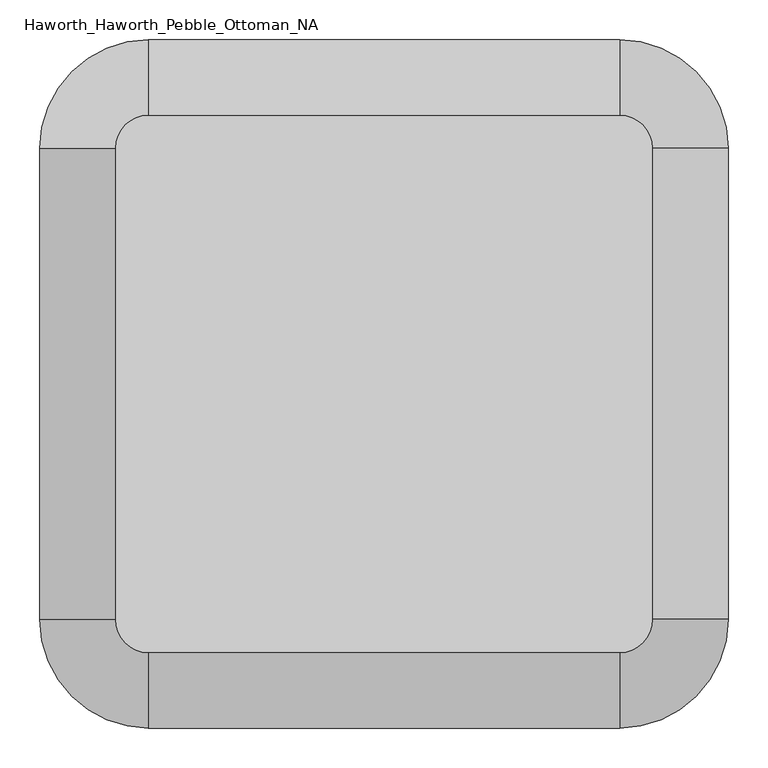
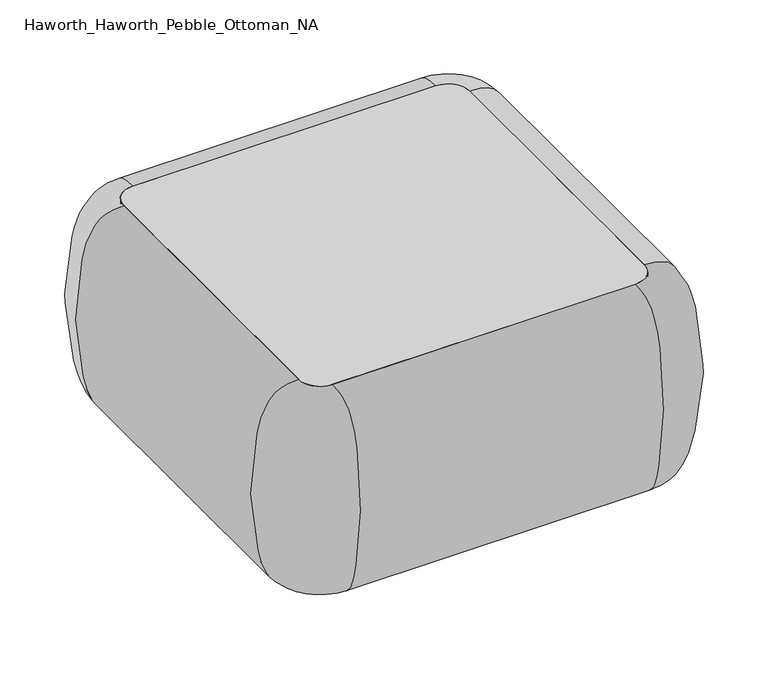
"""IFC4 building model written with IfcOpenShell, lengths in millimetres: furniture geometry, Haworth_Haworth_Pebble_Ottoman_NA."""

from ifc_helpers import new_model, si_unit, point, frame, frame_2d, origin, origin_with_axes, place, context, project, spatial, polyline, circle_curve, trimmed, segment, composite_curve, outline, extrude, source, transform, mapped, element, save
from ifc_brep_helpers import plane_surface, revolved_surface, extruded_surface, spline_curve, advanced_brep


def haworth_haworth_pebble_ottoman_na_33c4a9e7(model_context):
    return source(origin(), model_context, "Body", "SolidModel", [
        advanced_brep(
        [(-278.0855515, -102.1266005, 431.4267645), (-236.4136765, -60.4547255, 431.4267645), (-236.4136765, -60.4547255, 15.9000004), (-278.0855515, -102.1266005, 15.9000004), (-278.0855515, -693.1152987, 15.9000004), (-278.0855515, -693.1152987, 431.4267645), (354.7161859, -60.4547255, 431.4267645), (354.7161859, -60.4547255, 15.9000004), (-236.4136765, -734.7871737, 431.4267645), (-236.4136765, -734.7871737, 15.9000004), (354.7161859, -734.7871737, 15.9000004), (354.7161859, -734.7871737, 431.4267645), (396.3880609, -693.1152987, 431.4267645), (396.3880609, -693.1152987, 15.9000004), (396.3880609, -102.1266005, 15.9000004), (396.3880609, -102.1266005, 431.4267645)],
        [
            (0, 1, circle_curve(frame((-236.4136765, -102.1266005, 431.4267645), z_axis=(0.0, 0.0, -1.0), x_axis=(0.0, 1.0, 0.0)), 41.671875)),
            (1, 2, spline_curve(3, [(-236.4136765, -60.4547255, 431.4267645), (-236.4136765, -20.499156081, 431.4267645), (-236.4136765, -9.422817746, 418.111325992), (-236.4136765, 12.141986687, 387.074624676), (-236.4136765, 16.778281603, 372.805576067), (-236.4136765, 27.813707351, 318.739710756), (-236.4136765, 34.317735124, 272.461148795), (-236.4136765, 33.975120077, 183.217431721), (-236.4136765, 26.56487399, 140.468636482), (-236.4136765, 14.838127972, 86.422119583), (-236.4136765, 10.2884604, 69.442528942), (-236.4136765, -4.541050123, 40.550023909), (-236.4136765, -12.54840989, 28.736458982), (-236.4136765, -60.4547255, 15.9000004)], [4, 2, 2, 2, 2, 2, 4], [0.0, 0.14234338208612818, 0.3844442925433662, 0.7007195720884005, 1.0300826792167348, 1.2544468815012602, 1.4077182079104207])),
            (2, 3, circle_curve(frame((-236.4136765, -102.1266005, 15.9000004), z_axis=(0.0, 0.0, 1.0), x_axis=(0.0, 1.0, 0.0)), 41.671875)),
            (3, 0, spline_curve(3, [(-278.0855515, -102.1266005, 15.9000004), (-325.99186711, -102.1266005, 28.736458982), (-333.999226877, -102.1266005, 40.550023909), (-348.8287374, -102.1266005, 69.442528942), (-353.378404972, -102.1266005, 86.422119583), (-365.10515099, -102.1266005, 140.468636482), (-372.515397077, -102.1266005, 183.217431721), (-372.858012124, -102.1266005, 272.461148795), (-366.353984351, -102.1266005, 318.739710756), (-355.318558603, -102.1266005, 372.805576067), (-350.682263687, -102.1266005, 387.074624676), (-329.117459254, -102.1266005, 418.111325992), (-318.041120919, -102.1266005, 431.4267645), (-278.0855515, -102.1266005, 431.4267645)], [4, 2, 2, 2, 2, 2, 4], [0.0, 0.15327132640916052, 0.3776355286936859, 0.7069986358220202, 1.0232739153670545, 1.2653748258242925, 1.4077182079104207])),
            (2, 1),
            (0, 3),
            (3, 4),
            (4, 5, spline_curve(3, [(-278.0855515, -693.1152987, 15.9000004), (-325.99186711, -693.1152987, 28.736458982), (-333.999226877, -693.1152987, 40.550023909), (-348.8287374, -693.1152987, 69.442528942), (-353.378404972, -693.1152987, 86.422119583), (-365.10515099, -693.1152987, 140.468636482), (-372.515397077, -693.1152987, 183.217431721), (-372.858012124, -693.1152987, 272.461148795), (-366.353984351, -693.1152987, 318.739710756), (-355.318558603, -693.1152987, 372.805576067), (-350.682263687, -693.1152987, 387.074624676), (-329.117459254, -693.1152987, 418.111325992), (-318.041120919, -693.1152987, 431.4267645), (-278.0855515, -693.1152987, 431.4267645)], [4, 2, 2, 2, 2, 2, 4], [0.0, 0.15327132640916052, 0.3776355286936859, 0.7069986358220202, 1.0232739153670545, 1.2653748258242925, 1.4077182079104207])),
            (5, 0),
            (5, 4),
            (6, 7, spline_curve(3, [(354.7161859, -60.4547255, 431.4267645), (354.7161859, -20.499156081, 431.4267645), (354.7161859, -9.422817746, 418.111325992), (354.7161859, 12.141986687, 387.074624676), (354.7161859, 16.778281603, 372.805576067), (354.7161859, 27.813707351, 318.739710756), (354.7161859, 34.317735124, 272.461148795), (354.7161859, 33.975120077, 183.217431721), (354.7161859, 26.56487399, 140.468636482), (354.7161859, 14.838127972, 86.422119583), (354.7161859, 10.2884604, 69.442528942), (354.7161859, -4.541050123, 40.550023909), (354.7161859, -12.54840989, 28.736458982), (354.7161859, -60.4547255, 15.9000004)], [4, 2, 2, 2, 2, 2, 4], [0.0, 0.14234338208612818, 0.3844442925433662, 0.7007195720884005, 1.0300826792167348, 1.2544468815012602, 1.4077182079104207])),
            (7, 2),
            (1, 6),
            (7, 6),
            (8, 5, circle_curve(frame((-236.4136765, -693.1152987, 431.4267645), z_axis=(0.0, 0.0, -1.0), x_axis=(-1.0, 0.0, 0.0)), 41.671875)),
            (4, 9, circle_curve(frame((-236.4136765, -693.1152987, 15.9000004), z_axis=(0.0, 0.0, 1.0), x_axis=(-1.0, 0.0, 0.0)), 41.671875)),
            (9, 8, spline_curve(3, [(-236.4136765, -734.7871737, 15.9000004), (-236.4136765, -782.69348931, 28.736458982), (-236.4136765, -790.700849077, 40.550023909), (-236.4136765, -805.5303596, 69.442528942), (-236.4136765, -810.080027172, 86.422119583), (-236.4136765, -821.80677319, 140.468636482), (-236.4136765, -829.217019277, 183.217431721), (-236.4136765, -829.559634324, 272.461148795), (-236.4136765, -823.055606651, 318.739710756), (-236.4136765, -812.020180903, 372.805576067), (-236.4136765, -807.383885887, 387.074624676), (-236.4136765, -785.819081454, 418.111325992), (-236.4136765, -774.742743119, 431.4267645), (-236.4136765, -734.7871737, 431.4267645)], [4, 2, 2, 2, 2, 2, 4], [0.0, 0.15327132640916052, 0.3776355286936859, 0.7069986358220202, 1.0232739153670545, 1.2653748258242925, 1.4077182079104207])),
            (8, 9),
            (9, 10),
            (10, 11, spline_curve(3, [(354.7161859, -734.7871737, 15.9000004), (354.7161859, -782.69348931, 28.736458982), (354.7161859, -790.700849077, 40.550023909), (354.7161859, -805.5303596, 69.442528942), (354.7161859, -810.080027172, 86.422119583), (354.7161859, -821.80677319, 140.468636482), (354.7161859, -829.217019277, 183.217431721), (354.7161859, -829.559634324, 272.461148795), (354.7161859, -823.055606651, 318.739710756), (354.7161859, -812.020180903, 372.805576067), (354.7161859, -807.383885887, 387.074624676), (354.7161859, -785.819081454, 418.111325992), (354.7161859, -774.742743119, 431.4267645), (354.7161859, -734.7871737, 431.4267645)], [4, 2, 2, 2, 2, 2, 4], [0.0, 0.15327132640916052, 0.3776355286936859, 0.7069986358220202, 1.0232739153670545, 1.2653748258242925, 1.4077182079104207])),
            (11, 8),
            (11, 10),
            (12, 11, circle_curve(frame((354.7161859, -693.1152987, 431.4267645), z_axis=(0.0, 0.0, -1.0), x_axis=(0.0, -1.0, 0.0)), 41.671875)),
            (10, 13, circle_curve(frame((354.7161859, -693.1152987, 15.9000004), z_axis=(0.0, 0.0, 1.0), x_axis=(0.0, -1.0, 0.0)), 41.671875)),
            (13, 12, spline_curve(3, [(396.3880609, -693.1152987, 15.9000004), (444.29437651, -693.1152987, 28.736458982), (452.301736277, -693.1152987, 40.550023909), (467.1312468, -693.1152987, 69.442528942), (471.680914372, -693.1152987, 86.422119583), (483.40766039, -693.1152987, 140.468636482), (490.817906477, -693.1152987, 183.217431721), (491.160521524, -693.1152987, 272.461148795), (484.656493751, -693.1152987, 318.739710756), (473.621068003, -693.1152987, 372.805576067), (468.984773087, -693.1152987, 387.074624676), (447.419968654, -693.1152987, 418.111325992), (436.343630319, -693.1152987, 431.4267645), (396.3880609, -693.1152987, 431.4267645)], [4, 2, 2, 2, 2, 2, 4], [0.0, 0.15327132640916052, 0.3776355286936859, 0.7069986358220202, 1.0232739153670545, 1.2653748258242925, 1.4077182079104207])),
            (12, 13),
            (13, 14),
            (14, 15, spline_curve(3, [(396.3880609, -102.1266005, 15.9000004), (444.29437651, -102.1266005, 28.736458982), (452.301736277, -102.1266005, 40.550023909), (467.1312468, -102.1266005, 69.442528942), (471.680914372, -102.1266005, 86.422119583), (483.40766039, -102.1266005, 140.468636482), (490.817906477, -102.1266005, 183.217431721), (491.160521524, -102.1266005, 272.461148795), (484.656493751, -102.1266005, 318.739710756), (473.621068003, -102.1266005, 372.805576067), (468.984773087, -102.1266005, 387.074624676), (447.419968654, -102.1266005, 418.111325992), (436.343630319, -102.1266005, 431.4267645), (396.3880609, -102.1266005, 431.4267645)], [4, 2, 2, 2, 2, 2, 4], [0.0, 0.15327132640916052, 0.3776355286936859, 0.7069986358220202, 1.0232739153670545, 1.2653748258242925, 1.4077182079104207])),
            (15, 12),
            (15, 14),
            (6, 15, circle_curve(frame((354.7161859, -102.1266005, 431.4267645), z_axis=(0.0, 0.0, -1.0), x_axis=(1.0, 0.0, 0.0)), 41.671875)),
            (14, 7, circle_curve(frame((354.7161859, -102.1266005, 15.9000004), z_axis=(0.0, 0.0, 1.0), x_axis=(1.0, 0.0, 0.0)), 41.671875)),
        ],
        [
            revolved_surface(spline_curve(3, [(-236.4136765, -60.4547255, 15.9000004), (-236.4136765, -12.54840989, 28.736458982), (-236.4136765, -4.541050123, 40.550023909), (-236.4136765, 10.2884604, 69.442528942), (-236.4136765, 14.838127972, 86.422119583), (-236.4136765, 26.56487399, 140.468636482), (-236.4136765, 33.975120077, 183.217431721), (-236.4136765, 34.317735124, 272.461148795), (-236.4136765, 27.813707351, 318.739710756), (-236.4136765, 16.778281603, 372.805576067), (-236.4136765, 12.141986687, 387.074624676), (-236.4136765, -9.422817746, 418.111325992), (-236.4136765, -20.499156081, 431.4267645), (-236.4136765, -60.4547255, 431.4267645)], [4, 2, 2, 2, 2, 2, 4], [0.0, 0.15327132640916052, 0.3776355286936859, 0.7069986358220202, 1.0232739153670545, 1.2653748258242925, 1.4077182079104207]), (-236.4136765, -102.1266005, 584.2), (0.0, 0.0, 1.0)),
            revolved_surface(polyline([(-236.4136765, -60.454725499999995, 431.4267645), (-236.4136765, -60.454725499999995, 15.900000399999954)]), (-236.4136765, -102.1266005, 584.2), (0.0, 0.0, 1.0)),
            extruded_surface(spline_curve(3, [(-278.0855515, -693.1152987, 15.9000004), (-325.99186711, -693.1152987, 28.736458982), (-333.999226877, -693.1152987, 40.550023909), (-348.8287374, -693.1152987, 69.442528942), (-353.378404972, -693.1152987, 86.422119583), (-365.10515099, -693.1152987, 140.468636482), (-372.515397077, -693.1152987, 183.217431721), (-372.858012124, -693.1152987, 272.461148795), (-366.353984351, -693.1152987, 318.739710756), (-355.318558603, -693.1152987, 372.805576067), (-350.682263687, -693.1152987, 387.074624676), (-329.117459254, -693.1152987, 418.111325992), (-318.041120919, -693.1152987, 431.4267645), (-278.0855515, -693.1152987, 431.4267645)], [4, 2, 2, 2, 2, 2, 4], [0.0, 0.15327132640916052, 0.3776355286936859, 0.7069986358220202, 1.0232739153670545, 1.2653748258242925, 1.4077182079104207]), (0.0, 590.9886982, 0.0), 590.9886982),
            plane_surface(frame((-278.0855515, -102.1266005, 431.4267645), z_axis=(1.0, 0.0, 0.0), x_axis=(0.0, -1.0, 0.0))),
            extruded_surface(spline_curve(3, [(-236.4136765, -60.4547255, 15.9000004), (-236.4136765, -12.54840989, 28.736458982), (-236.4136765, -4.541050123, 40.550023909), (-236.4136765, 10.2884604, 69.442528942), (-236.4136765, 14.838127972, 86.422119583), (-236.4136765, 26.56487399, 140.468636482), (-236.4136765, 33.975120077, 183.217431721), (-236.4136765, 34.317735124, 272.461148795), (-236.4136765, 27.813707351, 318.739710756), (-236.4136765, 16.778281603, 372.805576067), (-236.4136765, 12.141986687, 387.074624676), (-236.4136765, -9.422817746, 418.111325992), (-236.4136765, -20.499156081, 431.4267645), (-236.4136765, -60.4547255, 431.4267645)], [4, 2, 2, 2, 2, 2, 4], [0.0, 0.15327132640916052, 0.3776355286936859, 0.7069986358220202, 1.0232739153670545, 1.2653748258242925, 1.4077182079104207]), (591.1298624000001, 0.0, 0.0), 591.1298624000001),
            plane_surface(frame((354.7161859, -60.4547255, 431.4267645), z_axis=(0.0, -1.0, 0.0), x_axis=(-1.0, 0.0, 0.0))),
            revolved_surface(spline_curve(3, [(-278.0855515, -693.1152987, 15.9000004), (-325.99186711, -693.1152987, 28.736458982), (-333.999226877, -693.1152987, 40.550023909), (-348.8287374, -693.1152987, 69.442528942), (-353.378404972, -693.1152987, 86.422119583), (-365.10515099, -693.1152987, 140.468636482), (-372.515397077, -693.1152987, 183.217431721), (-372.858012124, -693.1152987, 272.461148795), (-366.353984351, -693.1152987, 318.739710756), (-355.318558603, -693.1152987, 372.805576067), (-350.682263687, -693.1152987, 387.074624676), (-329.117459254, -693.1152987, 418.111325992), (-318.041120919, -693.1152987, 431.4267645), (-278.0855515, -693.1152987, 431.4267645)], [4, 2, 2, 2, 2, 2, 4], [0.0, 0.15327132640916052, 0.3776355286936859, 0.7069986358220202, 1.0232739153670545, 1.2653748258242925, 1.4077182079104207]), (-236.4136765, -693.1152987, 584.2), (0.0, 0.0, 1.0)),
            revolved_surface(polyline([(-278.0855515, -693.1152987, 431.4267645), (-278.0855515, -693.1152987, 15.900000399999954)]), (-236.4136765, -693.1152987, 584.2), (0.0, 0.0, 1.0)),
            extruded_surface(spline_curve(3, [(354.7161859, -734.7871737, 15.9000004), (354.7161859, -782.69348931, 28.736458982), (354.7161859, -790.700849077, 40.550023909), (354.7161859, -805.5303596, 69.442528942), (354.7161859, -810.080027172, 86.422119583), (354.7161859, -821.80677319, 140.468636482), (354.7161859, -829.217019277, 183.217431721), (354.7161859, -829.559634324, 272.461148795), (354.7161859, -823.055606651, 318.739710756), (354.7161859, -812.020180903, 372.805576067), (354.7161859, -807.383885887, 387.074624676), (354.7161859, -785.819081454, 418.111325992), (354.7161859, -774.742743119, 431.4267645), (354.7161859, -734.7871737, 431.4267645)], [4, 2, 2, 2, 2, 2, 4], [0.0, 0.15327132640916052, 0.3776355286936859, 0.7069986358220202, 1.0232739153670545, 1.2653748258242925, 1.4077182079104207]), (-591.1298624000001, 0.0, 0.0), 591.1298624000001),
            plane_surface(frame((-236.4136765, -734.7871737, 431.4267645), z_axis=(0.0, 1.0, 0.0), x_axis=(1.0, 0.0, 0.0))),
            revolved_surface(spline_curve(3, [(354.7161859, -734.7871737, 15.9000004), (354.7161859, -782.69348931, 28.736458982), (354.7161859, -790.700849077, 40.550023909), (354.7161859, -805.5303596, 69.442528942), (354.7161859, -810.080027172, 86.422119583), (354.7161859, -821.80677319, 140.468636482), (354.7161859, -829.217019277, 183.217431721), (354.7161859, -829.559634324, 272.461148795), (354.7161859, -823.055606651, 318.739710756), (354.7161859, -812.020180903, 372.805576067), (354.7161859, -807.383885887, 387.074624676), (354.7161859, -785.819081454, 418.111325992), (354.7161859, -774.742743119, 431.4267645), (354.7161859, -734.7871737, 431.4267645)], [4, 2, 2, 2, 2, 2, 4], [0.0, 0.15327132640916052, 0.3776355286936859, 0.7069986358220202, 1.0232739153670545, 1.2653748258242925, 1.4077182079104207]), (354.7161859, -693.1152987, 584.2), (0.0, 0.0, 1.0)),
            revolved_surface(polyline([(354.7161859, -734.7871737, 431.4267645), (354.7161859, -734.7871737, 15.900000399999954)]), (354.7161859, -693.1152987, 584.2), (0.0, 0.0, 1.0)),
            extruded_surface(spline_curve(3, [(396.3880609, -102.1266005, 15.9000004), (444.29437651, -102.1266005, 28.736458982), (452.301736277, -102.1266005, 40.550023909), (467.1312468, -102.1266005, 69.442528942), (471.680914372, -102.1266005, 86.422119583), (483.40766039, -102.1266005, 140.468636482), (490.817906477, -102.1266005, 183.217431721), (491.160521524, -102.1266005, 272.461148795), (484.656493751, -102.1266005, 318.739710756), (473.621068003, -102.1266005, 372.805576067), (468.984773087, -102.1266005, 387.074624676), (447.419968654, -102.1266005, 418.111325992), (436.343630319, -102.1266005, 431.4267645), (396.3880609, -102.1266005, 431.4267645)], [4, 2, 2, 2, 2, 2, 4], [0.0, 0.15327132640916052, 0.3776355286936859, 0.7069986358220202, 1.0232739153670545, 1.2653748258242925, 1.4077182079104207]), (0.0, -590.9886982, 0.0), 590.9886982),
            plane_surface(frame((396.3880609, -693.1152987, 431.4267645), z_axis=(-1.0, 0.0, 0.0), x_axis=(0.0, 1.0, 0.0))),
            revolved_surface(spline_curve(3, [(396.3880609, -102.1266005, 15.9000004), (444.29437651, -102.1266005, 28.736458982), (452.301736277, -102.1266005, 40.550023909), (467.1312468, -102.1266005, 69.442528942), (471.680914372, -102.1266005, 86.422119583), (483.40766039, -102.1266005, 140.468636482), (490.817906477, -102.1266005, 183.217431721), (491.160521524, -102.1266005, 272.461148795), (484.656493751, -102.1266005, 318.739710756), (473.621068003, -102.1266005, 372.805576067), (468.984773087, -102.1266005, 387.074624676), (447.419968654, -102.1266005, 418.111325992), (436.343630319, -102.1266005, 431.4267645), (396.3880609, -102.1266005, 431.4267645)], [4, 2, 2, 2, 2, 2, 4], [0.0, 0.15327132640916052, 0.3776355286936859, 0.7069986358220202, 1.0232739153670545, 1.2653748258242925, 1.4077182079104207]), (354.7161859, -102.1266005, 584.2), (0.0, 0.0, 1.0)),
            revolved_surface(polyline([(396.3880609, -102.1266005, 431.4267645), (396.3880609, -102.1266005, 15.900000399999954)]), (354.7161859, -102.1266005, 584.2), (0.0, 0.0, 1.0)),
        ],
        [
            (0, [[1, 2, 3, 4]]),
            (1, [[-3, 5, -1, 6]]),
            (2, [[-4, 7, 8, 9]]),
            (3, [[-6, -9, 10, -7]]),
            (4, [[11, 12, -2, 13]]),
            (5, [[14, -13, -5, -12]]),
            (6, [[15, -8, 16, 17]]),
            (7, [[-16, -10, -15, 18]]),
            (8, [[-17, 19, 20, 21]]),
            (9, [[-18, -21, 22, -19]]),
            (10, [[23, -20, 24, 25]]),
            (11, [[-24, -22, -23, 26]]),
            (12, [[-25, 27, 28, 29]]),
            (13, [[-26, -29, 30, -27]]),
            (14, [[31, -28, 32, -11]]),
            (15, [[-32, -30, -31, -14]]),
        ],
    ),
        extrude(outline(composite_curve([segment(trimmed(circle_curve(frame_2d((354.7966445, -101.9755598)), 41.671875), [point((354.7966445, -60.3036848))], [point((396.4685195, -101.9755598))], False, "CARTESIAN"), True, "CONTINUOUS"), segment(polyline([(396.4685195, -101.9755598), (396.4685195, -693.2663394)]), True, "CONTINUOUS"), segment(trimmed(circle_curve(frame_2d((354.7966445, -693.2663394)), 41.671875), [point((396.4685195, -693.2663394))], [point((354.7966445, -734.9382144))], False, "CARTESIAN"), True, "CONTINUOUS"), segment(polyline([(354.7966445, -734.9382144), (-236.4941351, -734.9382144)]), True, "CONTINUOUS"), segment(trimmed(circle_curve(frame_2d((-236.4941351, -693.2663394)), 41.671875), [point((-236.4941351, -734.9382144))], [point((-278.1660101, -693.2663394))], False, "CARTESIAN"), True, "CONTINUOUS"), segment(polyline([(-278.1660101, -693.2663394), (-278.1660101, -101.9755598)]), True, "CONTINUOUS"), segment(trimmed(circle_curve(frame_2d((-236.4941351, -101.9755598)), 41.671875), [point((-278.1660101, -101.9755598))], [point((-236.4941351, -60.3036848))], False, "CARTESIAN"), True, "CONTINUOUS"), segment(polyline([(-236.4941351, -60.3036848), (354.7966445, -60.3036848)]), True, "CONTINUOUS")], self_intersect=False)), frame((0.0, 0.0, 15.9000004), z_axis=(0.0, 0.0, 1.0), x_axis=(1.0, 0.0, 0.0)), (0.0, 0.0, 1.0), 415.8999996),
        extrude(outline(composite_curve([segment(trimmed(circle_curve(frame_2d((333.7887547, -672.2584496)), 30.1625), [point((303.6262547, -672.2584496))], [point((363.9512547, -672.2584496))], False, "CARTESIAN"), True, "CONTINUOUS"), segment(trimmed(circle_curve(frame_2d((333.7887547, -672.2584496)), 30.1625), [point((363.9512547, -672.2584496))], [point((303.6262547, -672.2584496))], False, "CARTESIAN"), True, "CONTINUOUS")], self_intersect=False)), origin_with_axes(), (0.0, 0.0, 1.0), 15.9000004),
        extrude(outline(composite_curve([segment(trimmed(circle_curve(frame_2d((-215.4862453, -672.2584496)), 30.1625), [point((-185.3237453, -672.2584496))], [point((-245.6487453, -672.2584496))], False, "CARTESIAN"), True, "CONTINUOUS"), segment(trimmed(circle_curve(frame_2d((-215.4862453, -672.2584496)), 30.1625), [point((-245.6487453, -672.2584496))], [point((-185.3237453, -672.2584496))], False, "CARTESIAN"), True, "CONTINUOUS")], self_intersect=False)), origin_with_axes(), (0.0, 0.0, 1.0), 15.9000004),
        extrude(outline(composite_curve([segment(trimmed(circle_curve(frame_2d((333.7887547, -122.9834496)), 30.1625), [point((303.6262547, -122.9834496))], [point((363.9512547, -122.9834496))], False, "CARTESIAN"), True, "CONTINUOUS"), segment(trimmed(circle_curve(frame_2d((333.7887547, -122.9834496)), 30.1625), [point((363.9512547, -122.9834496))], [point((303.6262547, -122.9834496))], False, "CARTESIAN"), True, "CONTINUOUS")], self_intersect=False)), origin_with_axes(), (0.0, 0.0, 1.0), 15.9000004),
        extrude(outline(composite_curve([segment(trimmed(circle_curve(frame_2d((-215.4862453, -122.9834496)), 30.1625), [point((-185.3237453, -122.9834496))], [point((-245.6487453, -122.9834496))], False, "CARTESIAN"), True, "CONTINUOUS"), segment(trimmed(circle_curve(frame_2d((-215.4862453, -122.9834496)), 30.1625), [point((-245.6487453, -122.9834496))], [point((-185.3237453, -122.9834496))], False, "CARTESIAN"), True, "CONTINUOUS")], self_intersect=False)), origin_with_axes(), (0.0, 0.0, 1.0), 15.9000004),
    ])


if __name__ == "__main__":
    model = new_model("IFC4")
    model_context = context("Model", 3, world=origin())
    ifc_project = project(units=[si_unit("LENGTHUNIT", "METRE", prefix="MILLI")], contexts=[model_context])
    site = spatial("IfcSite", under=ifc_project)
    building = spatial("IfcBuilding", under=site)
    placement = place(None, origin())
    haworth_haworth_pebble_ottoman_na_shape = haworth_haworth_pebble_ottoman_na_33c4a9e7(model_context)
    element("IfcFurniture", 1, ObjectType="Haworth_Haworth_Pebble_Ottoman_NA", at=placement, inside=building, context=model_context, shape_type="MappedRepresentation", body=[
        mapped(haworth_haworth_pebble_ottoman_na_shape, transform((0.0, 0.0, 0.0), x_axis=(1.0, 0.0, 0.0), y_axis=(0.0, 1.0, 0.0), z_axis=(0.0, 0.0, 1.0))),
    ])
    save(model, "model.ifc")
